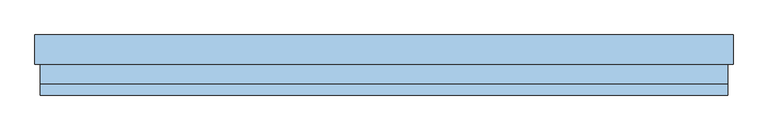
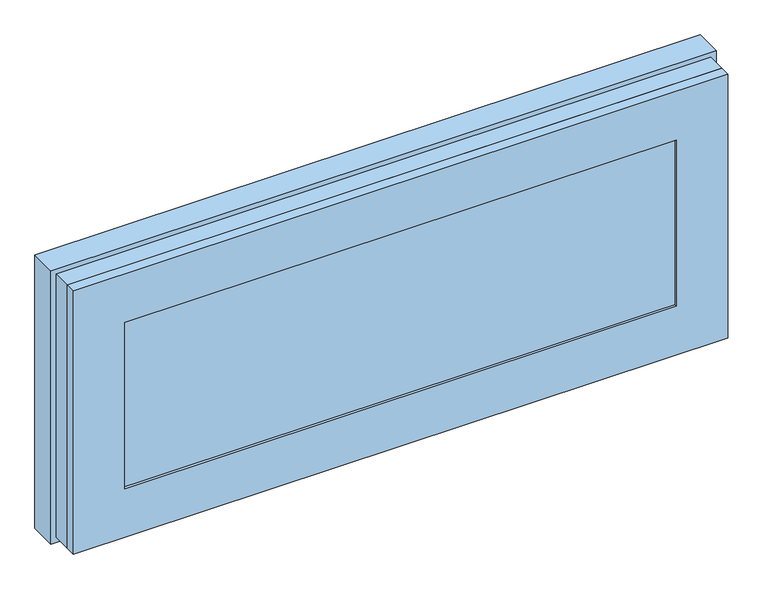
"""IFC4 building model written with IfcOpenShell, lengths in millimetres: window geometry."""

from ifc_helpers import new_model, si_unit, frame, origin, place, context, project, spatial, polyline, outline, extrude, faceted_brep, source, transform, mapped, element, save


def window_58dee796(model_context):
    return source(origin(), model_context, "Body", "SolidModel", [
        extrude(outline(polyline([(495.0000002, -14.0), (495.0000002, -46.0), (-495.0000002, -46.0), (-495.0000002, -14.0), (495.0000002, -14.0)])), frame((0.0, 0.0, 80.0), z_axis=(0.0, 0.0, 1.0), x_axis=(1.0, 0.0, 0.0)), (0.0, 0.0, 1.0), 340.0),
        faceted_brep([(477.0000002, -46.0, 402.0), (477.0000002, -46.0, 98.0), (477.0000002, -51.0, 98.0), (477.0000002, -51.0, 402.0), (566.0000002, -51.0, 9.0), (566.0000002, -51.0, 491.0), (-566.0000002, -51.0, 491.0), (-566.0000002, -51.0, 9.0), (-477.0000002, -51.0, 98.0), (-477.0000002, -51.0, 402.0), (-477.0000002, -46.0, 98.0), (495.0000002, -46.0, 420.0), (495.0000002, -46.0, 80.0), (-495.0000002, -46.0, 80.0), (-495.0000002, -46.0, 420.0), (-477.0000002, -46.0, 402.0), (495.0000002, -14.0, 420.0), (495.0000002, -14.0, 80.0), (-495.0000002, -14.0, 80.0), (-495.0000002, -14.0, 420.0), (477.0000002, -14.0, 402.0), (477.0000002, -14.0, 98.0), (-477.0000002, -14.0, 98.0), (-477.0000002, -14.0, 402.0), (477.0000002, 3.0, 402.0), (477.0000002, 3.0, 98.0), (-477.0000002, 3.0, 98.0), (498.0000002, 3.0, 423.0), (498.0000002, 3.0, 77.0), (-498.0000002, 3.0, 77.0), (-498.0000002, 3.0, 423.0), (-477.0000002, 3.0, 402.0), (498.0000002, 48.0, 423.0), (498.0000002, 48.0, 77.0), (-498.0000002, 48.0, 77.0), (514.0000002, 48.0, 439.0), (514.0000002, 48.0, 61.0), (-514.0000002, 48.0, 61.0), (-514.0000002, 48.0, 439.0), (-498.0000002, 48.0, 423.0), (514.0000002, 21.0, 439.0), (514.0000002, 21.0, 61.0), (-514.0000002, 21.0, 61.0), (529.0000002, 21.0, 454.0), (529.0000002, 21.0, 46.0), (-529.0000002, 21.0, 46.0), (-529.0000002, 21.0, 454.0), (-514.0000002, 21.0, 439.0), (529.0000002, -21.0, 454.0), (529.0000002, -21.0, 46.0), (-529.0000002, -21.0, 46.0), (541.0000002, -21.0, 466.0), (541.0000002, -21.0, 34.0), (-541.0000002, -21.0, 34.0), (-541.0000002, -21.0, 466.0), (-529.0000002, -21.0, 454.0), (541.0000002, -33.0, 466.0), (541.0000002, -33.0, 34.0), (-541.0000002, -33.0, 34.0), (566.0000002, -33.0, 491.0), (566.0000002, -33.0, 9.0), (-566.0000002, -33.0, 9.0), (-566.0000002, -33.0, 491.0), (-541.0000002, -33.0, 466.0)], [[[0, 1, 2, 3]], [[4, 5, 6, 7], [3, 2, 8, 9]], [[1, 10, 8, 2]], [[11, 12, 13, 14], [1, 0, 15, 10]], [[16, 17, 12, 11]], [[17, 18, 13, 12]], [[17, 16, 19, 18], [20, 21, 22, 23]], [[24, 25, 21, 20]], [[25, 26, 22, 21]], [[27, 28, 29, 30], [25, 24, 31, 26]], [[32, 33, 28, 27]], [[33, 34, 29, 28]], [[35, 36, 37, 38], [33, 32, 39, 34]], [[40, 41, 36, 35]], [[41, 42, 37, 36]], [[43, 44, 45, 46], [41, 40, 47, 42]], [[48, 49, 44, 43]], [[49, 50, 45, 44]], [[51, 52, 53, 54], [49, 48, 55, 50]], [[56, 57, 52, 51]], [[57, 58, 53, 52]], [[59, 60, 61, 62], [57, 56, 63, 58]], [[5, 4, 60, 59]], [[4, 7, 61, 60]], [[10, 15, 9, 8]], [[18, 19, 14, 13]], [[26, 31, 23, 22]], [[34, 39, 30, 29]], [[42, 47, 38, 37]], [[50, 55, 46, 45]], [[58, 63, 54, 53]], [[7, 6, 62, 61]], [[15, 0, 3, 9]], [[19, 16, 11, 14]], [[31, 24, 20, 23]], [[39, 32, 27, 30]], [[47, 40, 35, 38]], [[55, 48, 43, 46]], [[63, 56, 51, 54]], [[6, 5, 59, 62]]]),
        faceted_brep([(541.0000002, -21.0, 466.0), (541.0000002, -21.0, 34.0), (541.0000002, -33.0, 34.0), (541.0000002, -33.0, 466.0), (-541.0000002, -21.0, 34.0), (-541.0000002, -33.0, 34.0), (-566.0000002, -33.0, 9.0), (566.0000002, -33.0, 9.0), (566.0000002, -33.0, 491.0), (-566.0000002, -33.0, 491.0), (-541.0000002, -33.0, 466.0), (-541.0000002, -21.0, 466.0), (529.0000002, -21.0, 46.0), (-529.0000002, -21.0, 46.0), (-529.0000002, -21.0, 454.0), (529.0000002, -21.0, 454.0), (520.0000002, 48.0, 445.0), (520.0000002, 48.0, 55.0), (520.0000002, 21.0, 55.0), (520.0000002, 21.0, 445.0), (-520.0000002, 48.0, 55.0), (-520.0000002, 21.0, 55.0), (-529.0000002, 21.0, 46.0), (529.0000002, 21.0, 46.0), (529.0000002, 21.0, 454.0), (-529.0000002, 21.0, 454.0), (-520.0000002, 21.0, 445.0), (-520.0000002, 48.0, 445.0), (575.0000002, 48.0, 0.0), (-575.0000002, 48.0, 0.0), (-575.0000002, 48.0, 500.0), (575.0000002, 48.0, 500.0), (575.0000002, 0.0, 500.0), (575.0000002, 0.0, 0.0), (-575.0000002, 0.0, 0.0), (-575.0000002, 0.0, 500.0), (566.0000002, 0.0, 9.0), (-566.0000002, 0.0, 9.0), (-566.0000002, 0.0, 491.0), (566.0000002, 0.0, 491.0)], [[[0, 1, 2, 3]], [[1, 4, 5, 2]], [[6, 7, 8, 9], [2, 5, 10, 3]], [[4, 11, 10, 5]], [[4, 1, 0, 11], [12, 13, 14, 15]], [[16, 17, 18, 19]], [[17, 20, 21, 18]], [[22, 23, 24, 25], [18, 21, 26, 19]], [[20, 27, 26, 21]], [[28, 29, 30, 31], [20, 17, 16, 27]], [[32, 33, 28, 31]], [[33, 34, 29, 28]], [[34, 35, 30, 29]], [[34, 33, 32, 35], [36, 37, 38, 39]], [[6, 9, 38, 37]], [[8, 7, 36, 39]], [[7, 6, 37, 36]], [[24, 23, 12, 15]], [[23, 22, 13, 12]], [[22, 25, 14, 13]], [[11, 0, 3, 10]], [[27, 16, 19, 26]], [[35, 32, 31, 30]], [[25, 24, 15, 14]], [[9, 8, 39, 38]]]),
    ])


if __name__ == "__main__":
    model = new_model("IFC4")
    model_context = context("Model", 3, world=origin())
    ifc_project = project(units=[si_unit("LENGTHUNIT", "METRE", prefix="MILLI")], contexts=[model_context])
    site = spatial("IfcSite", under=ifc_project)
    building = spatial("IfcBuilding", under=site)
    placement = place(None, origin())
    window_shape = window_58dee796(model_context)
    element("IfcWindow", 1, at=placement, inside=building, context=model_context, shape_type="MappedRepresentation", body=[
        mapped(window_shape, transform((0.0, 0.0, 0.0), x_axis=(1.0, 0.0, 0.0), y_axis=(0.0, 1.0, 0.0), z_axis=(0.0, 0.0, 1.0))),
    ])
    save(model, "model.ifc")
